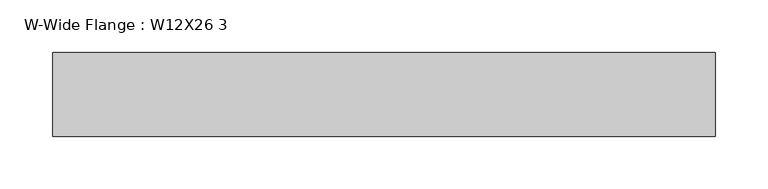
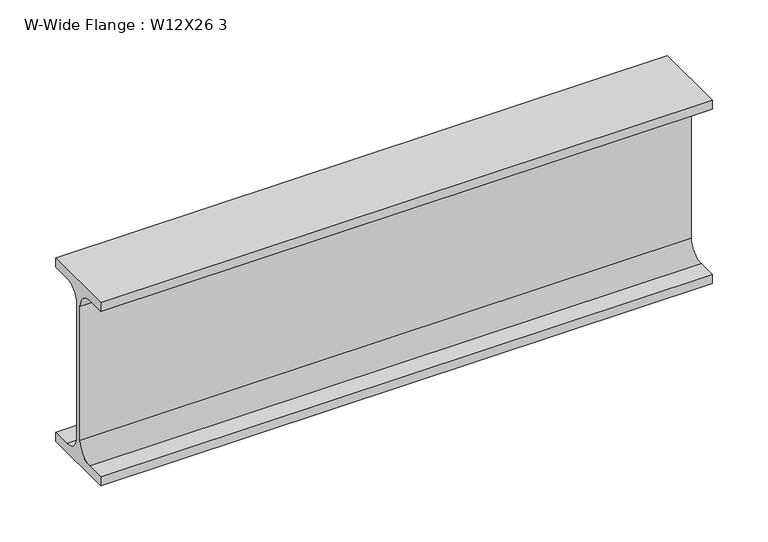
"""IFC4 building model written with IfcOpenShell, lengths in millimetres: beam geometry, W-Wide Flange : W12X26 3."""

from ifc_helpers import new_model, si_unit, point, frame, frame_2d, origin, place, context, project, spatial, polyline, circle_curve, trimmed, segment, composite_curve, outline, extrude, source, transform, mapped, element, save


def w_wide_flange_w12x26_3_a9ecbf05(model_context):
    return source(origin(), model_context, "Body", "SweptSolid", [
        extrude(outline(composite_curve([segment(polyline([(40.0, -90.3757813), (40.0, -100.0), (-40.0, -100.0), (-40.0, -90.3757813), (-20.2902344, -90.3757813)]), True, "CONTINUOUS"), segment(trimmed(circle_curve(frame_2d((-20.2902344, -73.0125)), 17.3632813), [point((-20.2902344, -90.3757813))], [point((-2.9269531, -73.0125))], True, "CARTESIAN"), True, "CONTINUOUS"), segment(polyline([(-2.9269531, -73.0125), (-2.9269531, 73.0125)]), True, "CONTINUOUS"), segment(trimmed(circle_curve(frame_2d((-20.2902344, 73.0125)), 17.3632812), [point((-2.9269531, 73.0125))], [point((-20.2902344, 90.3757812))], True, "CARTESIAN"), True, "CONTINUOUS"), segment(polyline([(-20.2902344, 90.3757812), (-40.0, 90.3757812), (-40.0, 100.0), (40.0, 100.0), (40.0, 90.3757812), (20.2902344, 90.3757812)]), True, "CONTINUOUS"), segment(trimmed(circle_curve(frame_2d((20.2902344, 73.0125)), 17.3632812), [point((20.2902344, 90.3757812))], [point((2.9269531, 73.0125))], True, "CARTESIAN"), True, "CONTINUOUS"), segment(polyline([(2.9269531, 73.0125), (2.9269531, -73.0125)]), True, "CONTINUOUS"), segment(trimmed(circle_curve(frame_2d((20.2902344, -73.0125)), 17.3632812), [point((2.9269531, -73.0125))], [point((20.2902344, -90.3757813))], True, "CARTESIAN"), True, "CONTINUOUS"), segment(polyline([(20.2902344, -90.3757813), (40.0, -90.3757813)]), True, "CONTINUOUS")], self_intersect=False)), frame((-446.8470197, 0.0, 0.0), z_axis=(1.0, 0.0, 0.0), x_axis=(0.0, 1.0, 0.0)), (0.0, 0.0, 1.0), 630.82836),
    ])


if __name__ == "__main__":
    model = new_model("IFC4")
    model_context = context("Model", 3, world=origin())
    ifc_project = project(units=[si_unit("LENGTHUNIT", "METRE", prefix="MILLI")], contexts=[model_context])
    site = spatial("IfcSite", under=ifc_project)
    building = spatial("IfcBuilding", under=site)
    placement = place(None, origin())
    w_wide_flange_w12x26_3_shape = w_wide_flange_w12x26_3_a9ecbf05(model_context)
    element("IfcBeam", 1, ObjectType="W-Wide Flange : W12X26 3", at=placement, inside=building, context=model_context, shape_type="MappedRepresentation", body=[
        mapped(w_wide_flange_w12x26_3_shape, transform((0.0, 0.0, 0.0), x_axis=(1.0, 0.0, 0.0), y_axis=(0.0, 1.0, 0.0), z_axis=(0.0, 0.0, 1.0))),
    ])
    save(model, "model.ifc")
